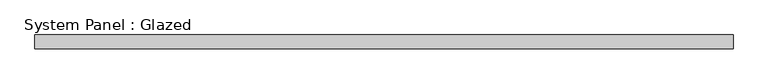
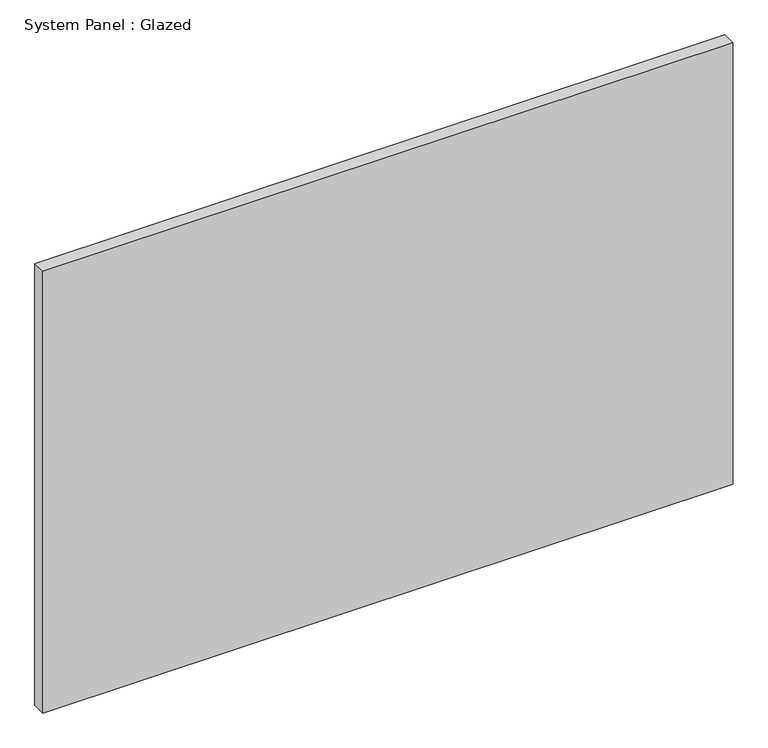
"""IFC4 building model written with IfcOpenShell, lengths in millimetres: plate geometry, System Panel : Glazed."""

from ifc_helpers import new_model, si_unit, origin, origin_with_axes, place, context, project, spatial, polyline, outline, extrude, source, transform, mapped, element, save


def system_panel_glazed_b6d2b604(model_context):
    return source(origin(), model_context, "Body", "SweptSolid", [
        extrude(outline(polyline([(647.7, -44.45), (-647.7, -44.45), (-647.7, -19.05), (647.7, -19.05), (647.7, -44.45)])), origin_with_axes(), (0.0, 0.0, 1.0), 876.3),
    ])


if __name__ == "__main__":
    model = new_model("IFC4")
    model_context = context("Model", 3, world=origin())
    ifc_project = project(units=[si_unit("LENGTHUNIT", "METRE", prefix="MILLI")], contexts=[model_context])
    site = spatial("IfcSite", under=ifc_project)
    building = spatial("IfcBuilding", under=site)
    placement = place(None, origin())
    system_panel_glazed_shape = system_panel_glazed_b6d2b604(model_context)
    element("IfcPlate", 1, ObjectType="System Panel : Glazed", at=placement, inside=building, context=model_context, shape_type="MappedRepresentation", body=[
        mapped(system_panel_glazed_shape, transform((0.0, 0.0, 0.0), x_axis=(1.0, 0.0, 0.0), y_axis=(0.0, 1.0, 0.0), z_axis=(0.0, 0.0, 1.0))),
    ])
    save(model, "model.ifc")
